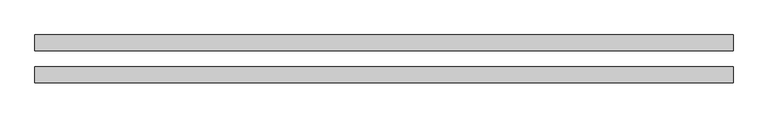
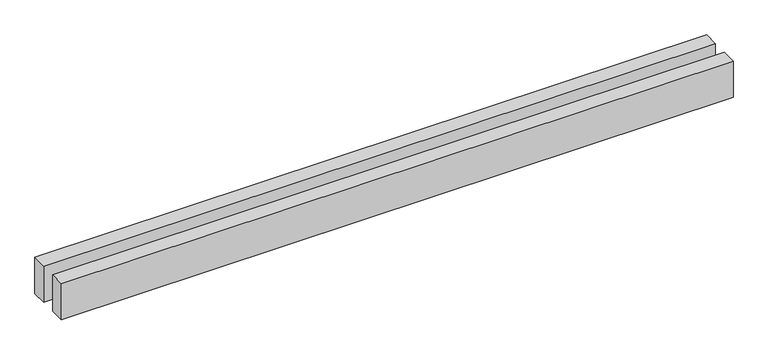
"""IFC4 building model written with IfcOpenShell, lengths in millimetres: proxy geometry."""

from ifc_helpers import new_model, si_unit, origin, origin_with_axes, place, context, project, spatial, polyline, outline, extrude, source, transform, mapped, element, save


def generic_models_e80161ae(model_context):
    return source(origin(), model_context, "Body", "SweptSolid", [
        extrude(outline(polyline([(8770.5196187, 300.0), (8770.5196187, 100.0), (0.0, 100.0), (0.0, 300.0), (8770.5196187, 300.0)])), origin_with_axes(), (0.0, 0.0, 1.0), 500.0),
        extrude(outline(polyline([(8770.5196187, -100.0), (8770.5196187, -300.0), (0.0, -300.0), (0.0, -100.0), (8770.5196187, -100.0)])), origin_with_axes(), (0.0, 0.0, 1.0), 500.0),
    ])


if __name__ == "__main__":
    model = new_model("IFC4")
    model_context = context("Model", 3, world=origin())
    ifc_project = project(units=[si_unit("LENGTHUNIT", "METRE", prefix="MILLI")], contexts=[model_context])
    site = spatial("IfcSite", under=ifc_project)
    building = spatial("IfcBuilding", under=site)
    placement = place(None, origin())
    generic_models_shape = generic_models_e80161ae(model_context)
    element("IfcBuildingElementProxy", 1, Name="Generic Models", at=placement, inside=building, context=model_context, shape_type="MappedRepresentation", body=[
        mapped(generic_models_shape, transform((0.0, 0.0, 0.0), x_axis=(1.0, 0.0, 0.0), y_axis=(0.0, 1.0, 0.0), z_axis=(0.0, 0.0, 1.0))),
    ])
    save(model, "model.ifc")
